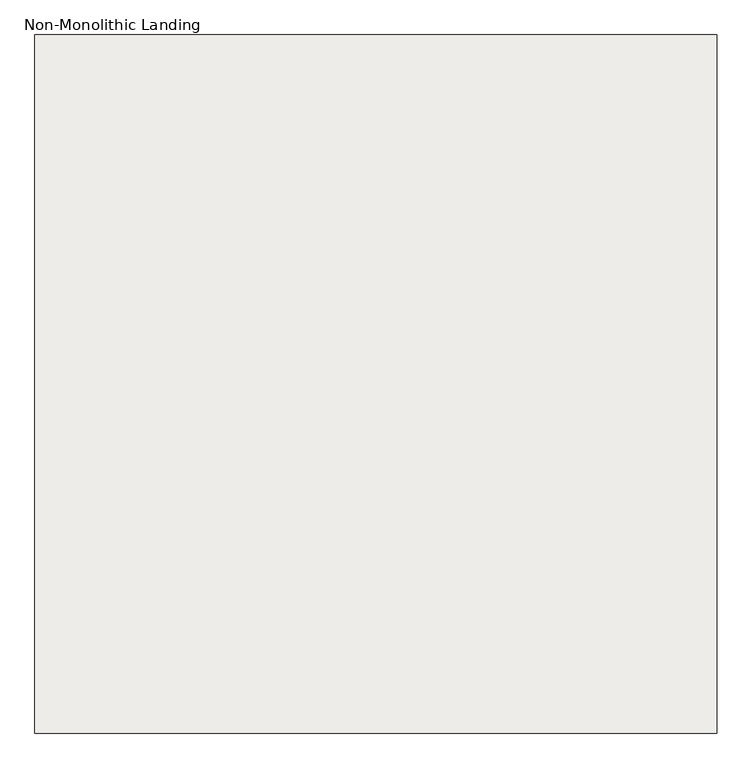
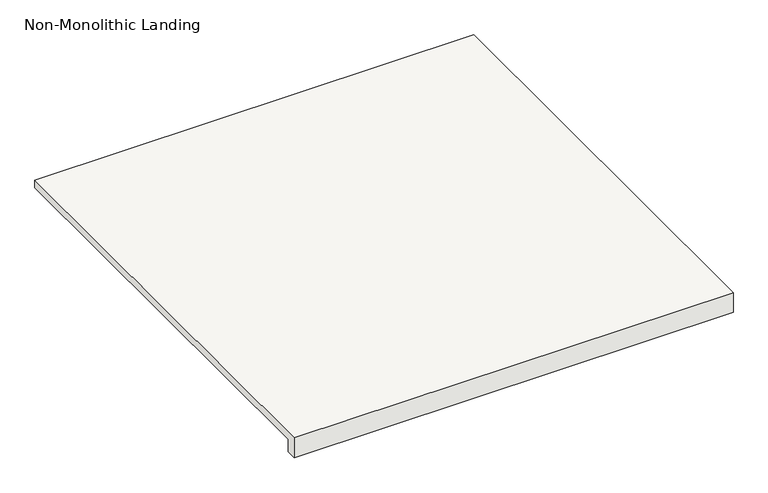
"""IFC4 building model written with IfcOpenShell, lengths in millimetres: slab geometry, Non-Monolithic Landing."""

from ifc_helpers import new_model, si_unit, origin, place, context, project, spatial, faceted_brep, source, transform, mapped, element, save


def non_monolithic_landing_c5431269(model_context):
    return source(origin(), model_context, "Body", "Brep", [
        faceted_brep([(37131.7697162, -4556.0453523, 1838.1382353), (37157.1697162, -4556.0453523, 1812.7382353), (37157.1697162, -5622.8453523, 1812.7382353), (37131.7697162, -5622.8453523, 1838.1382353), (37131.7697162, -5648.2453523, 1857.1882353), (38198.5697162, -5648.2453523, 1857.1882353), (38198.5697162, -5622.8453523, 1857.1882353), (38198.5697162, -4556.0453523, 1857.1882353), (37131.7697162, -4556.0453523, 1857.1882353), (37157.1697162, -5622.8453523, 1806.3882353), (37157.1697162, -4556.0453523, 1806.3882353), (38198.5697162, -4556.0453523, 1806.3882353), (38198.5697162, -5622.8453523, 1806.3882353), (38198.5697162, -5648.2453523, 1806.3882353), (37131.7697162, -5648.2453523, 1806.3882353), (37131.7697162, -5622.8453523, 1806.3882353)], [[[0, 1, 2, 3]], [[4, 5, 6, 7, 8]], [[9, 10, 11, 12, 13, 14, 15]], [[10, 9, 2, 1]], [[9, 15, 3, 2]], [[4, 8, 0, 3, 15, 14]], [[5, 4, 14, 13]], [[6, 5, 13, 12]], [[7, 6, 12, 11]], [[8, 7, 11, 10, 1, 0]]]),
    ])


if __name__ == "__main__":
    model = new_model("IFC4")
    model_context = context("Model", 3, world=origin())
    ifc_project = project(units=[si_unit("LENGTHUNIT", "METRE", prefix="MILLI")], contexts=[model_context])
    site = spatial("IfcSite", under=ifc_project)
    building = spatial("IfcBuilding", under=site)
    placement = place(None, origin())
    non_monolithic_landing_shape = non_monolithic_landing_c5431269(model_context)
    element("IfcSlab", 1, ObjectType="Non-Monolithic Landing", at=placement, inside=building, context=model_context, shape_type="MappedRepresentation", body=[
        mapped(non_monolithic_landing_shape, transform((0.0, 0.0, 0.0), x_axis=(1.0, 0.0, 0.0), y_axis=(0.0, 1.0, 0.0), z_axis=(0.0, 0.0, 1.0))),
    ])
    save(model, "model.ifc")
